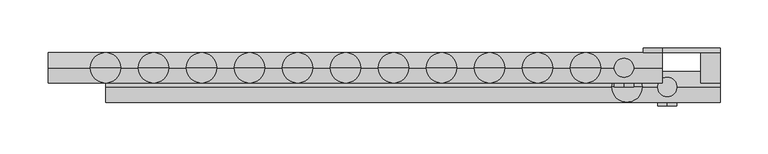
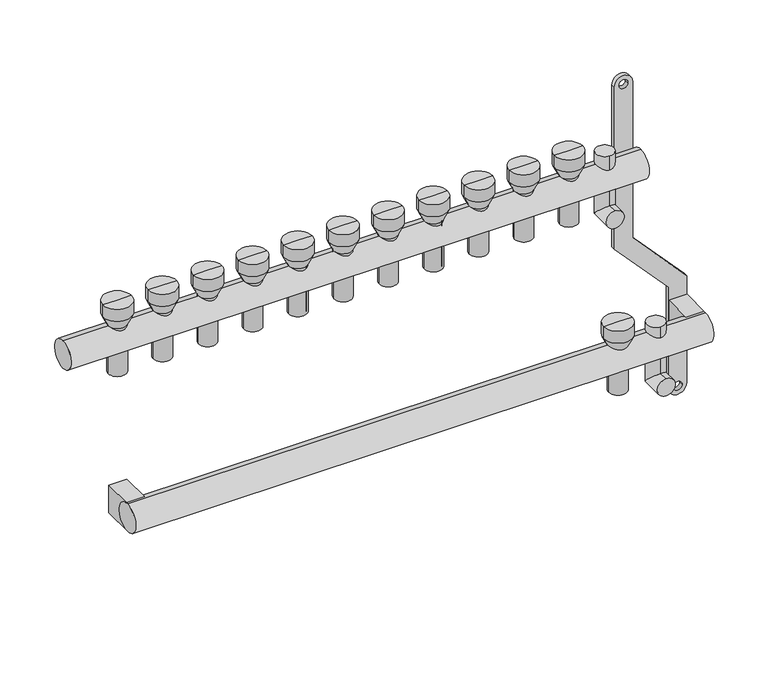
"""IFC4 building model written with IfcOpenShell, lengths in millimetres: proxy geometry."""

from ifc_helpers import new_model, si_unit, point, frame, frame_2d, origin, origin_2d, place, context, project, spatial, polyline, circle_curve, ellipse_curve, trimmed, segment, composite_curve, outline, extrude, source, transform, mapped, element, save
from ifc_brep_helpers import plane_surface, cylinder_surface, revolved_surface, advanced_brep


def mechanical_equipment_2ca8521b(model_context):
    return source(origin(), model_context, "Body", "SolidModel", [
        extrude(outline(composite_curve([segment(trimmed(circle_curve(frame_2d((86.2845679, 620.0)), 10.0), [point((86.2845679, 630.0))], [point((86.2845679, 610.0))], False, "CARTESIAN"), True, "CONTINUOUS"), segment(polyline([(86.2845679, 610.0), (-103.7138261, 610.0), (-169.0329221, 670.0), (-287.9537524, 670.0)]), True, "CONTINUOUS"), segment(trimmed(circle_curve(frame_2d((-287.9537524, 680.0)), 10.0), [point((-287.9537524, 670.0))], [point((-287.9537524, 690.0))], False, "CARTESIAN"), True, "CONTINUOUS"), segment(polyline([(-287.9537524, 690.0), (-162.5345282, 690.0), (-97.2154321, 630.0), (86.2845679, 630.0)]), True, "CONTINUOUS")], self_intersect=False), holes=[composite_curve([segment(trimmed(circle_curve(frame_2d((86.2845679, 620.0)), 5.0), [point((86.2845679, 615.0))], [point((86.2845679, 625.0))], True, "CARTESIAN"), True, "CONTINUOUS"), segment(trimmed(circle_curve(frame_2d((86.2845679, 620.0)), 5.0), [point((86.2845679, 625.0))], [point((86.2845679, 615.0))], True, "CARTESIAN"), True, "CONTINUOUS")], self_intersect=False), composite_curve([segment(trimmed(circle_curve(frame_2d((-287.9537524, 680.0)), 5.0), [point((-287.9537524, 675.0))], [point((-287.9537524, 685.0))], True, "CARTESIAN"), True, "CONTINUOUS"), segment(trimmed(circle_curve(frame_2d((-287.9537524, 680.0)), 5.0), [point((-287.9537524, 685.0))], [point((-287.9537524, 675.0))], True, "CARTESIAN"), True, "CONTINUOUS")], self_intersect=False)]), frame((0.0, 16.0, 0.0), z_axis=(0.0, 1.0, 0.0), x_axis=(0.0, 0.0, 1.0)), (0.0, 0.0, 1.0), 4.847249),
        advanced_brep(
        [(635.0, -40.0, -250.0), (635.0, -40.0, -230.0), (635.0, -10.0, -250.0), (635.0, -30.0, -230.0), (635.0, -10.0, -175.079492), (635.0, -30.0, -175.079492)],
        [
            (0, 1, circle_curve(frame((635.0, -40.0, -240.0), z_axis=(0.0, -1.0, 0.0), x_axis=(0.0, 0.0, 1.0)), 10.0)),
            (1, 0, circle_curve(frame((635.0, -40.0, -240.0), z_axis=(0.0, -1.0, 0.0), x_axis=(0.0, 0.0, 1.0)), 10.0)),
            (0, 2),
            (2, 3, ellipse_curve(frame((635.0, -20.0, -240.0), z_axis=(0.0, -0.7071067811865475, -0.7071067811865475), x_axis=(0.0, -0.7071067811865476, 0.7071067811865474)), 14.1421356, 10.0)),
            (3, 1),
            (3, 2, ellipse_curve(frame((635.0, -20.0, -240.0), z_axis=(0.0, -0.7071067811865475, -0.7071067811865475), x_axis=(0.0, -0.7071067811865476, 0.7071067811865474)), 14.1421356, 10.0)),
            (4, 5, circle_curve(frame((635.0, -20.0, -175.079492), z_axis=(0.0, 0.0, 1.0), x_axis=(0.0, -1.0, 0.0)), 10.0)),
            (5, 4, circle_curve(frame((635.0, -20.0, -175.079492), z_axis=(0.0, 0.0, 1.0), x_axis=(0.0, -1.0, 0.0)), 10.0)),
            (2, 4),
            (5, 3),
        ],
        [
            plane_surface(frame((635.0, -40.0, -240.0), z_axis=(0.0, -1.0, 0.0), x_axis=(1.0, 0.0, 0.0))),
            cylinder_surface(frame((635.0, -40.0, -240.0), z_axis=(0.0, -1.0, 0.0), x_axis=(0.0, 0.0, 1.0)), 10.0),
            plane_surface(frame((635.0, -20.0, -175.079492), z_axis=(0.0, 0.0, 1.0), x_axis=(1.0, 0.0, 0.0))),
            cylinder_surface(frame((635.0, -20.0, -240.0), z_axis=(0.0, 0.0, -1.0), x_axis=(0.0, -1.0, 0.0)), 10.0),
        ],
        [
            (0, [[1, 2]]),
            (1, [[-1, 3, 4, 5]]),
            (1, [[-2, -5, 6, -3]]),
            (2, [[7, 8]]),
            (3, [[-4, 9, -8, 10]]),
            (3, [[-6, -10, -7, -9]]),
        ],
    ),
        advanced_brep(
        [(590.0, -20.0, -50.0), (590.0, -20.0, -30.0), (590.0, 10.0, -50.0), (590.0, -10.0, -30.0), (590.0, 10.0, 28.420508), (590.0, -10.0, 28.420508)],
        [
            (0, 1, circle_curve(frame((590.0, -20.0, -40.0), z_axis=(0.0, -1.0, 0.0), x_axis=(0.0, 0.0, 1.0)), 10.0)),
            (1, 0, circle_curve(frame((590.0, -20.0, -40.0), z_axis=(0.0, -1.0, 0.0), x_axis=(0.0, 0.0, 1.0)), 10.0)),
            (0, 2),
            (2, 3, ellipse_curve(frame((590.0, 0.0, -40.0), z_axis=(0.0, -0.7071067811865486, -0.7071067811865464), x_axis=(0.0, -0.7071067811865466, 0.7071067811865485)), 14.1421356, 10.0)),
            (3, 1),
            (3, 2, ellipse_curve(frame((590.0, 0.0, -40.0), z_axis=(0.0, -0.7071067811865486, -0.7071067811865464), x_axis=(0.0, -0.7071067811865466, 0.7071067811865485)), 14.1421356, 10.0)),
            (4, 5, circle_curve(frame((590.0, 0.0, 28.420508), z_axis=(0.0, 0.0, 1.0), x_axis=(0.0, -1.0, 0.0)), 10.0)),
            (5, 4, circle_curve(frame((590.0, 0.0, 28.420508), z_axis=(0.0, 0.0, 1.0), x_axis=(0.0, -1.0, 0.0)), 10.0)),
            (2, 4),
            (5, 3),
        ],
        [
            plane_surface(frame((590.0, -20.0, -40.0), z_axis=(0.0, -1.0, 0.0), x_axis=(1.0, 0.0, 0.0))),
            cylinder_surface(frame((590.0, -20.0, -40.0), z_axis=(0.0, -1.0, 0.0), x_axis=(0.0, 0.0, 1.0)), 10.0),
            plane_surface(frame((590.0, 0.0, 28.420508), z_axis=(0.0, 0.0, 1.0), x_axis=(1.0, 0.0, 0.0))),
            cylinder_surface(frame((590.0, 0.0, -40.0), z_axis=(0.0, 0.0, -1.0), x_axis=(0.0, -1.0, 0.0)), 10.0),
        ],
        [
            (0, [[1, 2]]),
            (1, [[-1, 3, 4, 5]]),
            (1, [[-2, -5, 6, -3]]),
            (2, [[7, 8]]),
            (3, [[-4, 9, -8, 10]]),
            (3, [[-6, -10, -7, -9]]),
        ],
    ),
        extrude(outline(composite_curve([segment(trimmed(circle_curve(frame_2d((-20.0, -200.0)), 16.0), [point((-20.0, -216.0))], [point((-20.0, -184.0))], False, "CARTESIAN"), True, "CONTINUOUS"), segment(trimmed(circle_curve(frame_2d((-20.0, -200.0)), 16.0), [point((-20.0, -184.0))], [point((-20.0, -216.0))], False, "CARTESIAN"), True, "CONTINUOUS")], self_intersect=False)), frame((50.0, 0.0, 0.0), z_axis=(1.0, 0.0, 0.0), x_axis=(0.0, 1.0, 0.0)), (0.0, 0.0, 1.0), 640.0),
        extrude(outline(composite_curve([segment(trimmed(circle_curve(origin_2d(), 16.0), [point((0.0, -16.0))], [point((0.0, 16.0))], False, "CARTESIAN"), True, "CONTINUOUS"), segment(trimmed(circle_curve(origin_2d(), 16.0), [point((0.0, 16.0))], [point((0.0, -16.0))], False, "CARTESIAN"), True, "CONTINUOUS")], self_intersect=False)), frame((-10.0, 0.0, 0.0), z_axis=(1.0, 0.0, 0.0), x_axis=(0.0, 1.0, 0.0)), (0.0, 0.0, 1.0), 640.0),
        extrude(outline(polyline([(690.0, 16.0), (690.0, -20.0), (670.0, -20.0), (670.0, 16.0), (690.0, 16.0)])), frame((0.0, 0.0, -216.0), z_axis=(0.0, 0.0, 1.0), x_axis=(1.0, 0.0, 0.0)), (0.0, 0.0, 1.0), 32.0),
        extrude(outline(polyline([(70.0, 16.0), (70.0, -20.0), (50.0, -20.0), (50.0, 16.0), (70.0, 16.0)])), frame((0.0, 0.0, -216.0), z_axis=(0.0, 0.0, 1.0), x_axis=(1.0, 0.0, 0.0)), (0.0, 0.0, 1.0), 32.0),
        advanced_brep(
        [(558.0, 0.0, -40.0), (542.0, 0.0, -40.0), (542.0, 0.0, 16.0), (558.0, 0.0, 16.0), (560.0, 0.0, -40.0), (540.0, 0.0, -40.0), (560.0, 0.0, 16.0), (540.0, 0.0, 16.0), (565.791778, 0.0, 28.420508), (534.208222, 0.0, 28.420508), (565.791778, 0.0, 42.4712727), (534.208222, 0.0, 42.4712727), (550.0, 0.0, 42.4712727), (550.0, 0.0, 16.0)],
        [
            (0, 1, circle_curve(frame((550.0, 0.0, -40.0), z_axis=(0.0, 0.0, -1.0), x_axis=(-1.0, 0.0, 0.0)), 8.0)),
            (1, 2),
            (2, 3, circle_curve(frame((550.0, 0.0, 16.0), z_axis=(0.0, 0.0, 1.0), x_axis=(-1.0, 0.0, 0.0)), 8.0)),
            (3, 0),
            (1, 0, circle_curve(frame((550.0, 0.0, -40.0), z_axis=(0.0, 0.0, -1.0), x_axis=(-1.0, 0.0, 0.0)), 8.0)),
            (3, 2, circle_curve(frame((550.0, 0.0, 16.0), z_axis=(0.0, 0.0, 1.0), x_axis=(-1.0, 0.0, 0.0)), 8.0)),
            (4, 5, circle_curve(frame((550.0, 0.0, -40.0), z_axis=(0.0, 0.0, -1.0), x_axis=(-1.0, 0.0, 0.0)), 10.0)),
            (5, 1),
            (0, 4),
            (5, 4, circle_curve(frame((550.0, 0.0, -40.0), z_axis=(0.0, 0.0, -1.0), x_axis=(-1.0, 0.0, 0.0)), 10.0)),
            (6, 7, circle_curve(frame((550.0, 0.0, 16.0), z_axis=(0.0, 0.0, -1.0), x_axis=(-1.0, 0.0, 0.0)), 10.0)),
            (7, 5),
            (4, 6),
            (7, 6, circle_curve(frame((550.0, 0.0, 16.0), z_axis=(0.0, 0.0, -1.0), x_axis=(-1.0, 0.0, 0.0)), 10.0)),
            (8, 9, circle_curve(frame((550.0, 0.0, 28.420508), z_axis=(0.0, 0.0, -1.0), x_axis=(-1.0, 0.0, 0.0)), 15.791778)),
            (9, 7),
            (6, 8),
            (9, 8, circle_curve(frame((550.0, 0.0, 28.420508), z_axis=(0.0, 0.0, -1.0), x_axis=(-1.0, 0.0, 0.0)), 15.791778)),
            (10, 11, circle_curve(frame((550.0, 0.0, 42.4712727), z_axis=(0.0, 0.0, -1.0), x_axis=(-1.0, 0.0, 0.0)), 15.791778)),
            (11, 9),
            (8, 10),
            (11, 10, circle_curve(frame((550.0, 0.0, 42.4712727), z_axis=(0.0, 0.0, -1.0), x_axis=(-1.0, 0.0, 0.0)), 15.791778)),
            (12, 11),
            (10, 12),
            (2, 13),
            (13, 3),
        ],
        [
            revolved_surface(polyline([(542.0, 0.0, 16.0), (542.0, 0.0, -40.0)]), (550.0, 0.0, 0.0), (0.0, 0.0, 1.0)),
            plane_surface(frame((550.0, 0.0, -40.0), z_axis=(0.0, 0.0, -1.0), x_axis=(-1.0, 0.0, 0.0))),
            cylinder_surface(frame((550.0, 0.0, 0.0), z_axis=(0.0, 0.0, 1.0), x_axis=(-1.0, 0.0, 0.0)), 10.0),
            revolved_surface(polyline([(540.0, 0.0, 16.0), (534.208222, 0.0, 28.420508)]), (550.0, 0.0, 0.0), (0.0, 0.0, 1.0)),
            cylinder_surface(frame((550.0, 0.0, 0.0), z_axis=(0.0, 0.0, 1.0), x_axis=(-1.0, 0.0, 0.0)), 15.791778),
            plane_surface(frame((550.0, 0.0, 42.4712727), z_axis=(0.0, 0.0, 1.0), x_axis=(-1.0, 0.0, 0.0))),
            plane_surface(frame((550.0, 0.0, 16.0), z_axis=(0.0, 0.0, -1.0), x_axis=(-1.0, 0.0, 0.0))),
        ],
        [
            (0, [[1, 2, 3, 4]]),
            (0, [[5, -4, 6, -2]]),
            (1, [[7, 8, -1, 9]]),
            (1, [[10, -9, -5, -8]]),
            (2, [[11, 12, -7, 13]]),
            (2, [[14, -13, -10, -12]]),
            (3, [[15, 16, -11, 17]]),
            (3, [[18, -17, -14, -16]]),
            (4, [[19, 20, -15, 21]]),
            (4, [[22, -21, -18, -20]]),
            (5, [[23, -19, 24]]),
            (5, [[-24, -22, -23]]),
            (6, [[-3, 25, 26]]),
            (6, [[-6, -26, -25]]),
        ],
    ),
        advanced_brep(
        [(508.0, 0.0, -40.0), (492.0, 0.0, -40.0), (492.0, 0.0, 16.0), (508.0, 0.0, 16.0), (510.0, 0.0, -40.0), (490.0, 0.0, -40.0), (510.0, 0.0, 16.0), (490.0, 0.0, 16.0), (515.791778, 0.0, 28.420508), (484.208222, 0.0, 28.420508), (515.791778, 0.0, 42.4712727), (484.208222, 0.0, 42.4712727), (500.0, 0.0, 42.4712727), (500.0, 0.0, 16.0)],
        [
            (0, 1, circle_curve(frame((500.0, 0.0, -40.0), z_axis=(0.0, 0.0, -1.0), x_axis=(-1.0, 0.0, 0.0)), 8.0)),
            (1, 2),
            (2, 3, circle_curve(frame((500.0, 0.0, 16.0), z_axis=(0.0, 0.0, 1.0), x_axis=(-1.0, 0.0, 0.0)), 8.0)),
            (3, 0),
            (1, 0, circle_curve(frame((500.0, 0.0, -40.0), z_axis=(0.0, 0.0, -1.0), x_axis=(-1.0, 0.0, 0.0)), 8.0)),
            (3, 2, circle_curve(frame((500.0, 0.0, 16.0), z_axis=(0.0, 0.0, 1.0), x_axis=(-1.0, 0.0, 0.0)), 8.0)),
            (4, 5, circle_curve(frame((500.0, 0.0, -40.0), z_axis=(0.0, 0.0, -1.0), x_axis=(-1.0, 0.0, 0.0)), 10.0)),
            (5, 1),
            (0, 4),
            (5, 4, circle_curve(frame((500.0, 0.0, -40.0), z_axis=(0.0, 0.0, -1.0), x_axis=(-1.0, 0.0, 0.0)), 10.0)),
            (6, 7, circle_curve(frame((500.0, 0.0, 16.0), z_axis=(0.0, 0.0, -1.0), x_axis=(-1.0, 0.0, 0.0)), 10.0)),
            (7, 5),
            (4, 6),
            (7, 6, circle_curve(frame((500.0, 0.0, 16.0), z_axis=(0.0, 0.0, -1.0), x_axis=(-1.0, 0.0, 0.0)), 10.0)),
            (8, 9, circle_curve(frame((500.0, 0.0, 28.420508), z_axis=(0.0, 0.0, -1.0), x_axis=(-1.0, 0.0, 0.0)), 15.791778)),
            (9, 7),
            (6, 8),
            (9, 8, circle_curve(frame((500.0, 0.0, 28.420508), z_axis=(0.0, 0.0, -1.0), x_axis=(-1.0, 0.0, 0.0)), 15.791778)),
            (10, 11, circle_curve(frame((500.0, 0.0, 42.4712727), z_axis=(0.0, 0.0, -1.0), x_axis=(-1.0, 0.0, 0.0)), 15.791778)),
            (11, 9),
            (8, 10),
            (11, 10, circle_curve(frame((500.0, 0.0, 42.4712727), z_axis=(0.0, 0.0, -1.0), x_axis=(-1.0, 0.0, 0.0)), 15.791778)),
            (12, 11),
            (10, 12),
            (2, 13),
            (13, 3),
        ],
        [
            revolved_surface(polyline([(492.0, 0.0, 16.0), (492.0, 0.0, -40.0)]), (500.0, 0.0, 0.0), (0.0, 0.0, 1.0)),
            plane_surface(frame((500.0, 0.0, -40.0), z_axis=(0.0, 0.0, -1.0), x_axis=(-1.0, 0.0, 0.0))),
            cylinder_surface(frame((500.0, 0.0, 0.0), z_axis=(0.0, 0.0, 1.0), x_axis=(-1.0, 0.0, 0.0)), 10.0),
            revolved_surface(polyline([(490.0, 0.0, 16.0), (484.208222, 0.0, 28.420508)]), (500.0, 0.0, 0.0), (0.0, 0.0, 1.0)),
            cylinder_surface(frame((500.0, 0.0, 0.0), z_axis=(0.0, 0.0, 1.0), x_axis=(-1.0, 0.0, 0.0)), 15.791778),
            plane_surface(frame((500.0, 0.0, 42.4712727), z_axis=(0.0, 0.0, 1.0), x_axis=(-1.0, 0.0, 0.0))),
            plane_surface(frame((500.0, 0.0, 16.0), z_axis=(0.0, 0.0, -1.0), x_axis=(-1.0, 0.0, 0.0))),
        ],
        [
            (0, [[1, 2, 3, 4]]),
            (0, [[5, -4, 6, -2]]),
            (1, [[7, 8, -1, 9]]),
            (1, [[10, -9, -5, -8]]),
            (2, [[11, 12, -7, 13]]),
            (2, [[14, -13, -10, -12]]),
            (3, [[15, 16, -11, 17]]),
            (3, [[18, -17, -14, -16]]),
            (4, [[19, 20, -15, 21]]),
            (4, [[22, -21, -18, -20]]),
            (5, [[23, -19, 24]]),
            (5, [[-24, -22, -23]]),
            (6, [[-3, 25, 26]]),
            (6, [[-6, -26, -25]]),
        ],
    ),
        advanced_brep(
        [(458.0, 0.0, -40.0), (442.0, 0.0, -40.0), (442.0, 0.0, 16.0), (458.0, 0.0, 16.0), (460.0, 0.0, -40.0), (440.0, 0.0, -40.0), (460.0, 0.0, 16.0), (440.0, 0.0, 16.0), (465.791778, 0.0, 28.420508), (434.208222, 0.0, 28.420508), (465.791778, 0.0, 42.4712727), (434.208222, 0.0, 42.4712727), (450.0, 0.0, 42.4712727), (450.0, 0.0, 16.0)],
        [
            (0, 1, circle_curve(frame((450.0, 0.0, -40.0), z_axis=(0.0, 0.0, -1.0), x_axis=(-1.0, 0.0, 0.0)), 8.0)),
            (1, 2),
            (2, 3, circle_curve(frame((450.0, 0.0, 16.0), z_axis=(0.0, 0.0, 1.0), x_axis=(-1.0, 0.0, 0.0)), 8.0)),
            (3, 0),
            (1, 0, circle_curve(frame((450.0, 0.0, -40.0), z_axis=(0.0, 0.0, -1.0), x_axis=(-1.0, 0.0, 0.0)), 8.0)),
            (3, 2, circle_curve(frame((450.0, 0.0, 16.0), z_axis=(0.0, 0.0, 1.0), x_axis=(-1.0, 0.0, 0.0)), 8.0)),
            (4, 5, circle_curve(frame((450.0, 0.0, -40.0), z_axis=(0.0, 0.0, -1.0), x_axis=(-1.0, 0.0, 0.0)), 10.0)),
            (5, 1),
            (0, 4),
            (5, 4, circle_curve(frame((450.0, 0.0, -40.0), z_axis=(0.0, 0.0, -1.0), x_axis=(-1.0, 0.0, 0.0)), 10.0)),
            (6, 7, circle_curve(frame((450.0, 0.0, 16.0), z_axis=(0.0, 0.0, -1.0), x_axis=(-1.0, 0.0, 0.0)), 10.0)),
            (7, 5),
            (4, 6),
            (7, 6, circle_curve(frame((450.0, 0.0, 16.0), z_axis=(0.0, 0.0, -1.0), x_axis=(-1.0, 0.0, 0.0)), 10.0)),
            (8, 9, circle_curve(frame((450.0, 0.0, 28.420508), z_axis=(0.0, 0.0, -1.0), x_axis=(-1.0, 0.0, 0.0)), 15.791778)),
            (9, 7),
            (6, 8),
            (9, 8, circle_curve(frame((450.0, 0.0, 28.420508), z_axis=(0.0, 0.0, -1.0), x_axis=(-1.0, 0.0, 0.0)), 15.791778)),
            (10, 11, circle_curve(frame((450.0, 0.0, 42.4712727), z_axis=(0.0, 0.0, -1.0), x_axis=(-1.0, 0.0, 0.0)), 15.791778)),
            (11, 9),
            (8, 10),
            (11, 10, circle_curve(frame((450.0, 0.0, 42.4712727), z_axis=(0.0, 0.0, -1.0), x_axis=(-1.0, 0.0, 0.0)), 15.791778)),
            (12, 11),
            (10, 12),
            (2, 13),
            (13, 3),
        ],
        [
            revolved_surface(polyline([(442.0, 0.0, 16.0), (442.0, 0.0, -40.0)]), (450.0, 0.0, 0.0), (0.0, 0.0, 1.0)),
            plane_surface(frame((450.0, 0.0, -40.0), z_axis=(0.0, 0.0, -1.0), x_axis=(-1.0, 0.0, 0.0))),
            cylinder_surface(frame((450.0, 0.0, 0.0), z_axis=(0.0, 0.0, 1.0), x_axis=(-1.0, 0.0, 0.0)), 10.0),
            revolved_surface(polyline([(440.0, 0.0, 16.0), (434.208222, 0.0, 28.420508)]), (450.0, 0.0, 0.0), (0.0, 0.0, 1.0)),
            cylinder_surface(frame((450.0, 0.0, 0.0), z_axis=(0.0, 0.0, 1.0), x_axis=(-1.0, 0.0, 0.0)), 15.791778),
            plane_surface(frame((450.0, 0.0, 42.4712727), z_axis=(0.0, 0.0, 1.0), x_axis=(-1.0, 0.0, 0.0))),
            plane_surface(frame((450.0, 0.0, 16.0), z_axis=(0.0, 0.0, -1.0), x_axis=(-1.0, 0.0, 0.0))),
        ],
        [
            (0, [[1, 2, 3, 4]]),
            (0, [[5, -4, 6, -2]]),
            (1, [[7, 8, -1, 9]]),
            (1, [[10, -9, -5, -8]]),
            (2, [[11, 12, -7, 13]]),
            (2, [[14, -13, -10, -12]]),
            (3, [[15, 16, -11, 17]]),
            (3, [[18, -17, -14, -16]]),
            (4, [[19, 20, -15, 21]]),
            (4, [[22, -21, -18, -20]]),
            (5, [[23, -19, 24]]),
            (5, [[-24, -22, -23]]),
            (6, [[-3, 25, 26]]),
            (6, [[-6, -26, -25]]),
        ],
    ),
        advanced_brep(
        [(408.0, 0.0, -40.0), (392.0, 0.0, -40.0), (392.0, 0.0, 16.0), (408.0, 0.0, 16.0), (410.0, 0.0, -40.0), (390.0, 0.0, -40.0), (410.0, 0.0, 16.0), (390.0, 0.0, 16.0), (415.791778, 0.0, 28.420508), (384.208222, 0.0, 28.420508), (415.791778, 0.0, 42.4712727), (384.208222, 0.0, 42.4712727), (400.0, 0.0, 42.4712727), (400.0, 0.0, 16.0)],
        [
            (0, 1, circle_curve(frame((400.0, 0.0, -40.0), z_axis=(0.0, 0.0, -1.0), x_axis=(-1.0, 0.0, 0.0)), 8.0)),
            (1, 2),
            (2, 3, circle_curve(frame((400.0, 0.0, 16.0), z_axis=(0.0, 0.0, 1.0), x_axis=(-1.0, 0.0, 0.0)), 8.0)),
            (3, 0),
            (1, 0, circle_curve(frame((400.0, 0.0, -40.0), z_axis=(0.0, 0.0, -1.0), x_axis=(-1.0, 0.0, 0.0)), 8.0)),
            (3, 2, circle_curve(frame((400.0, 0.0, 16.0), z_axis=(0.0, 0.0, 1.0), x_axis=(-1.0, 0.0, 0.0)), 8.0)),
            (4, 5, circle_curve(frame((400.0, 0.0, -40.0), z_axis=(0.0, 0.0, -1.0), x_axis=(-1.0, 0.0, 0.0)), 10.0)),
            (5, 1),
            (0, 4),
            (5, 4, circle_curve(frame((400.0, 0.0, -40.0), z_axis=(0.0, 0.0, -1.0), x_axis=(-1.0, 0.0, 0.0)), 10.0)),
            (6, 7, circle_curve(frame((400.0, 0.0, 16.0), z_axis=(0.0, 0.0, -1.0), x_axis=(-1.0, 0.0, 0.0)), 10.0)),
            (7, 5),
            (4, 6),
            (7, 6, circle_curve(frame((400.0, 0.0, 16.0), z_axis=(0.0, 0.0, -1.0), x_axis=(-1.0, 0.0, 0.0)), 10.0)),
            (8, 9, circle_curve(frame((400.0, 0.0, 28.420508), z_axis=(0.0, 0.0, -1.0), x_axis=(-1.0, 0.0, 0.0)), 15.791778)),
            (9, 7),
            (6, 8),
            (9, 8, circle_curve(frame((400.0, 0.0, 28.420508), z_axis=(0.0, 0.0, -1.0), x_axis=(-1.0, 0.0, 0.0)), 15.791778)),
            (10, 11, circle_curve(frame((400.0, 0.0, 42.4712727), z_axis=(0.0, 0.0, -1.0), x_axis=(-1.0, 0.0, 0.0)), 15.791778)),
            (11, 9),
            (8, 10),
            (11, 10, circle_curve(frame((400.0, 0.0, 42.4712727), z_axis=(0.0, 0.0, -1.0), x_axis=(-1.0, 0.0, 0.0)), 15.791778)),
            (12, 11),
            (10, 12),
            (2, 13),
            (13, 3),
        ],
        [
            revolved_surface(polyline([(392.0, 0.0, 16.0), (392.0, 0.0, -40.0)]), (400.0, 0.0, 0.0), (0.0, 0.0, 1.0)),
            plane_surface(frame((400.0, 0.0, -40.0), z_axis=(0.0, 0.0, -1.0), x_axis=(-1.0, 0.0, 0.0))),
            cylinder_surface(frame((400.0, 0.0, 0.0), z_axis=(0.0, 0.0, 1.0), x_axis=(-1.0, 0.0, 0.0)), 10.0),
            revolved_surface(polyline([(390.0, 0.0, 16.0), (384.208222, 0.0, 28.420508)]), (400.0, 0.0, 0.0), (0.0, 0.0, 1.0)),
            cylinder_surface(frame((400.0, 0.0, 0.0), z_axis=(0.0, 0.0, 1.0), x_axis=(-1.0, 0.0, 0.0)), 15.791778),
            plane_surface(frame((400.0, 0.0, 42.4712727), z_axis=(0.0, 0.0, 1.0), x_axis=(-1.0, 0.0, 0.0))),
            plane_surface(frame((400.0, 0.0, 16.0), z_axis=(0.0, 0.0, -1.0), x_axis=(-1.0, 0.0, 0.0))),
        ],
        [
            (0, [[1, 2, 3, 4]]),
            (0, [[5, -4, 6, -2]]),
            (1, [[7, 8, -1, 9]]),
            (1, [[10, -9, -5, -8]]),
            (2, [[11, 12, -7, 13]]),
            (2, [[14, -13, -10, -12]]),
            (3, [[15, 16, -11, 17]]),
            (3, [[18, -17, -14, -16]]),
            (4, [[19, 20, -15, 21]]),
            (4, [[22, -21, -18, -20]]),
            (5, [[23, -19, 24]]),
            (5, [[-24, -22, -23]]),
            (6, [[-3, 25, 26]]),
            (6, [[-6, -26, -25]]),
        ],
    ),
        advanced_brep(
        [(358.0, 0.0, -40.0), (342.0, 0.0, -40.0), (342.0, 0.0, 16.0), (358.0, 0.0, 16.0), (360.0, 0.0, -40.0), (340.0, 0.0, -40.0), (360.0, 0.0, 16.0), (340.0, 0.0, 16.0), (365.791778, 0.0, 28.420508), (334.208222, 0.0, 28.420508), (365.791778, 0.0, 42.4712727), (334.208222, 0.0, 42.4712727), (350.0, 0.0, 42.4712727), (350.0, 0.0, 16.0)],
        [
            (0, 1, circle_curve(frame((350.0, 0.0, -40.0), z_axis=(0.0, 0.0, -1.0), x_axis=(-1.0, 0.0, 0.0)), 8.0)),
            (1, 2),
            (2, 3, circle_curve(frame((350.0, 0.0, 16.0), z_axis=(0.0, 0.0, 1.0), x_axis=(-1.0, 0.0, 0.0)), 8.0)),
            (3, 0),
            (1, 0, circle_curve(frame((350.0, 0.0, -40.0), z_axis=(0.0, 0.0, -1.0), x_axis=(-1.0, 0.0, 0.0)), 8.0)),
            (3, 2, circle_curve(frame((350.0, 0.0, 16.0), z_axis=(0.0, 0.0, 1.0), x_axis=(-1.0, 0.0, 0.0)), 8.0)),
            (4, 5, circle_curve(frame((350.0, 0.0, -40.0), z_axis=(0.0, 0.0, -1.0), x_axis=(-1.0, 0.0, 0.0)), 10.0)),
            (5, 1),
            (0, 4),
            (5, 4, circle_curve(frame((350.0, 0.0, -40.0), z_axis=(0.0, 0.0, -1.0), x_axis=(-1.0, 0.0, 0.0)), 10.0)),
            (6, 7, circle_curve(frame((350.0, 0.0, 16.0), z_axis=(0.0, 0.0, -1.0), x_axis=(-1.0, 0.0, 0.0)), 10.0)),
            (7, 5),
            (4, 6),
            (7, 6, circle_curve(frame((350.0, 0.0, 16.0), z_axis=(0.0, 0.0, -1.0), x_axis=(-1.0, 0.0, 0.0)), 10.0)),
            (8, 9, circle_curve(frame((350.0, 0.0, 28.420508), z_axis=(0.0, 0.0, -1.0), x_axis=(-1.0, 0.0, 0.0)), 15.791778)),
            (9, 7),
            (6, 8),
            (9, 8, circle_curve(frame((350.0, 0.0, 28.420508), z_axis=(0.0, 0.0, -1.0), x_axis=(-1.0, 0.0, 0.0)), 15.791778)),
            (10, 11, circle_curve(frame((350.0, 0.0, 42.4712727), z_axis=(0.0, 0.0, -1.0), x_axis=(-1.0, 0.0, 0.0)), 15.791778)),
            (11, 9),
            (8, 10),
            (11, 10, circle_curve(frame((350.0, 0.0, 42.4712727), z_axis=(0.0, 0.0, -1.0), x_axis=(-1.0, 0.0, 0.0)), 15.791778)),
            (12, 11),
            (10, 12),
            (2, 13),
            (13, 3),
        ],
        [
            revolved_surface(polyline([(342.0, 0.0, 16.0), (342.0, 0.0, -40.0)]), (350.0, 0.0, 0.0), (0.0, 0.0, 1.0)),
            plane_surface(frame((350.0, 0.0, -40.0), z_axis=(0.0, 0.0, -1.0), x_axis=(-1.0, 0.0, 0.0))),
            cylinder_surface(frame((350.0, 0.0, 0.0), z_axis=(0.0, 0.0, 1.0), x_axis=(-1.0, 0.0, 0.0)), 10.0),
            revolved_surface(polyline([(340.0, 0.0, 16.0), (334.208222, 0.0, 28.420508)]), (350.0, 0.0, 0.0), (0.0, 0.0, 1.0)),
            cylinder_surface(frame((350.0, 0.0, 0.0), z_axis=(0.0, 0.0, 1.0), x_axis=(-1.0, 0.0, 0.0)), 15.791778),
            plane_surface(frame((350.0, 0.0, 42.4712727), z_axis=(0.0, 0.0, 1.0), x_axis=(-1.0, 0.0, 0.0))),
            plane_surface(frame((350.0, 0.0, 16.0), z_axis=(0.0, 0.0, -1.0), x_axis=(-1.0, 0.0, 0.0))),
        ],
        [
            (0, [[1, 2, 3, 4]]),
            (0, [[5, -4, 6, -2]]),
            (1, [[7, 8, -1, 9]]),
            (1, [[10, -9, -5, -8]]),
            (2, [[11, 12, -7, 13]]),
            (2, [[14, -13, -10, -12]]),
            (3, [[15, 16, -11, 17]]),
            (3, [[18, -17, -14, -16]]),
            (4, [[19, 20, -15, 21]]),
            (4, [[22, -21, -18, -20]]),
            (5, [[23, -19, 24]]),
            (5, [[-24, -22, -23]]),
            (6, [[-3, 25, 26]]),
            (6, [[-6, -26, -25]]),
        ],
    ),
        advanced_brep(
        [(308.0, 0.0, -40.0), (292.0, 0.0, -40.0), (292.0, 0.0, 16.0), (308.0, 0.0, 16.0), (310.0, 0.0, -40.0), (290.0, 0.0, -40.0), (310.0, 0.0, 16.0), (290.0, 0.0, 16.0), (315.791778, 0.0, 28.420508), (284.208222, 0.0, 28.420508), (315.791778, 0.0, 42.4712727), (284.208222, 0.0, 42.4712727), (300.0, 0.0, 42.4712727), (300.0, 0.0, 16.0)],
        [
            (0, 1, circle_curve(frame((300.0, 0.0, -40.0), z_axis=(0.0, 0.0, -1.0), x_axis=(-1.0, 0.0, 0.0)), 8.0)),
            (1, 2),
            (2, 3, circle_curve(frame((300.0, 0.0, 16.0), z_axis=(0.0, 0.0, 1.0), x_axis=(-1.0, 0.0, 0.0)), 8.0)),
            (3, 0),
            (1, 0, circle_curve(frame((300.0, 0.0, -40.0), z_axis=(0.0, 0.0, -1.0), x_axis=(-1.0, 0.0, 0.0)), 8.0)),
            (3, 2, circle_curve(frame((300.0, 0.0, 16.0), z_axis=(0.0, 0.0, 1.0), x_axis=(-1.0, 0.0, 0.0)), 8.0)),
            (4, 5, circle_curve(frame((300.0, 0.0, -40.0), z_axis=(0.0, 0.0, -1.0), x_axis=(-1.0, 0.0, 0.0)), 10.0)),
            (5, 1),
            (0, 4),
            (5, 4, circle_curve(frame((300.0, 0.0, -40.0), z_axis=(0.0, 0.0, -1.0), x_axis=(-1.0, 0.0, 0.0)), 10.0)),
            (6, 7, circle_curve(frame((300.0, 0.0, 16.0), z_axis=(0.0, 0.0, -1.0), x_axis=(-1.0, 0.0, 0.0)), 10.0)),
            (7, 5),
            (4, 6),
            (7, 6, circle_curve(frame((300.0, 0.0, 16.0), z_axis=(0.0, 0.0, -1.0), x_axis=(-1.0, 0.0, 0.0)), 10.0)),
            (8, 9, circle_curve(frame((300.0, 0.0, 28.420508), z_axis=(0.0, 0.0, -1.0), x_axis=(-1.0, 0.0, 0.0)), 15.791778)),
            (9, 7),
            (6, 8),
            (9, 8, circle_curve(frame((300.0, 0.0, 28.420508), z_axis=(0.0, 0.0, -1.0), x_axis=(-1.0, 0.0, 0.0)), 15.791778)),
            (10, 11, circle_curve(frame((300.0, 0.0, 42.4712727), z_axis=(0.0, 0.0, -1.0), x_axis=(-1.0, 0.0, 0.0)), 15.791778)),
            (11, 9),
            (8, 10),
            (11, 10, circle_curve(frame((300.0, 0.0, 42.4712727), z_axis=(0.0, 0.0, -1.0), x_axis=(-1.0, 0.0, 0.0)), 15.791778)),
            (12, 11),
            (10, 12),
            (2, 13),
            (13, 3),
        ],
        [
            revolved_surface(polyline([(292.0, 0.0, 16.0), (292.0, 0.0, -40.0)]), (300.0, 0.0, 0.0), (0.0, 0.0, 1.0)),
            plane_surface(frame((300.0, 0.0, -40.0), z_axis=(0.0, 0.0, -1.0), x_axis=(-1.0, 0.0, 0.0))),
            cylinder_surface(frame((300.0, 0.0, 0.0), z_axis=(0.0, 0.0, 1.0), x_axis=(-1.0, 0.0, 0.0)), 10.0),
            revolved_surface(polyline([(290.0, 0.0, 16.0), (284.208222, 0.0, 28.420508)]), (300.0, 0.0, 0.0), (0.0, 0.0, 1.0)),
            cylinder_surface(frame((300.0, 0.0, 0.0), z_axis=(0.0, 0.0, 1.0), x_axis=(-1.0, 0.0, 0.0)), 15.791778),
            plane_surface(frame((300.0, 0.0, 42.4712727), z_axis=(0.0, 0.0, 1.0), x_axis=(-1.0, 0.0, 0.0))),
            plane_surface(frame((300.0, 0.0, 16.0), z_axis=(0.0, 0.0, -1.0), x_axis=(-1.0, 0.0, 0.0))),
        ],
        [
            (0, [[1, 2, 3, 4]]),
            (0, [[5, -4, 6, -2]]),
            (1, [[7, 8, -1, 9]]),
            (1, [[10, -9, -5, -8]]),
            (2, [[11, 12, -7, 13]]),
            (2, [[14, -13, -10, -12]]),
            (3, [[15, 16, -11, 17]]),
            (3, [[18, -17, -14, -16]]),
            (4, [[19, 20, -15, 21]]),
            (4, [[22, -21, -18, -20]]),
            (5, [[23, -19, 24]]),
            (5, [[-24, -22, -23]]),
            (6, [[-3, 25, 26]]),
            (6, [[-6, -26, -25]]),
        ],
    ),
        advanced_brep(
        [(258.0, 0.0, -40.0), (242.0, 0.0, -40.0), (242.0, 0.0, 16.0), (258.0, 0.0, 16.0), (260.0, 0.0, -40.0), (240.0, 0.0, -40.0), (260.0, 0.0, 16.0), (240.0, 0.0, 16.0), (265.791778, 0.0, 28.420508), (234.208222, 0.0, 28.420508), (265.791778, 0.0, 42.4712727), (234.208222, 0.0, 42.4712727), (250.0, 0.0, 42.4712727), (250.0, 0.0, 16.0)],
        [
            (0, 1, circle_curve(frame((250.0, 0.0, -40.0), z_axis=(0.0, 0.0, -1.0), x_axis=(-1.0, 0.0, 0.0)), 8.0)),
            (1, 2),
            (2, 3, circle_curve(frame((250.0, 0.0, 16.0), z_axis=(0.0, 0.0, 1.0), x_axis=(-1.0, 0.0, 0.0)), 8.0)),
            (3, 0),
            (1, 0, circle_curve(frame((250.0, 0.0, -40.0), z_axis=(0.0, 0.0, -1.0), x_axis=(-1.0, 0.0, 0.0)), 8.0)),
            (3, 2, circle_curve(frame((250.0, 0.0, 16.0), z_axis=(0.0, 0.0, 1.0), x_axis=(-1.0, 0.0, 0.0)), 8.0)),
            (4, 5, circle_curve(frame((250.0, 0.0, -40.0), z_axis=(0.0, 0.0, -1.0), x_axis=(-1.0, 0.0, 0.0)), 10.0)),
            (5, 1),
            (0, 4),
            (5, 4, circle_curve(frame((250.0, 0.0, -40.0), z_axis=(0.0, 0.0, -1.0), x_axis=(-1.0, 0.0, 0.0)), 10.0)),
            (6, 7, circle_curve(frame((250.0, 0.0, 16.0), z_axis=(0.0, 0.0, -1.0), x_axis=(-1.0, 0.0, 0.0)), 10.0)),
            (7, 5),
            (4, 6),
            (7, 6, circle_curve(frame((250.0, 0.0, 16.0), z_axis=(0.0, 0.0, -1.0), x_axis=(-1.0, 0.0, 0.0)), 10.0)),
            (8, 9, circle_curve(frame((250.0, 0.0, 28.420508), z_axis=(0.0, 0.0, -1.0), x_axis=(-1.0, 0.0, 0.0)), 15.791778)),
            (9, 7),
            (6, 8),
            (9, 8, circle_curve(frame((250.0, 0.0, 28.420508), z_axis=(0.0, 0.0, -1.0), x_axis=(-1.0, 0.0, 0.0)), 15.791778)),
            (10, 11, circle_curve(frame((250.0, 0.0, 42.4712727), z_axis=(0.0, 0.0, -1.0), x_axis=(-1.0, 0.0, 0.0)), 15.791778)),
            (11, 9),
            (8, 10),
            (11, 10, circle_curve(frame((250.0, 0.0, 42.4712727), z_axis=(0.0, 0.0, -1.0), x_axis=(-1.0, 0.0, 0.0)), 15.791778)),
            (12, 11),
            (10, 12),
            (2, 13),
            (13, 3),
        ],
        [
            revolved_surface(polyline([(242.0, 0.0, 16.0), (242.0, 0.0, -40.0)]), (250.0, 0.0, 0.0), (0.0, 0.0, 1.0)),
            plane_surface(frame((250.0, 0.0, -40.0), z_axis=(0.0, 0.0, -1.0), x_axis=(-1.0, 0.0, 0.0))),
            cylinder_surface(frame((250.0, 0.0, 0.0), z_axis=(0.0, 0.0, 1.0), x_axis=(-1.0, 0.0, 0.0)), 10.0),
            revolved_surface(polyline([(240.0, 0.0, 16.0), (234.208222, 0.0, 28.420508)]), (250.0, 0.0, 0.0), (0.0, 0.0, 1.0)),
            cylinder_surface(frame((250.0, 0.0, 0.0), z_axis=(0.0, 0.0, 1.0), x_axis=(-1.0, 0.0, 0.0)), 15.791778),
            plane_surface(frame((250.0, 0.0, 42.4712727), z_axis=(0.0, 0.0, 1.0), x_axis=(-1.0, 0.0, 0.0))),
            plane_surface(frame((250.0, 0.0, 16.0), z_axis=(0.0, 0.0, -1.0), x_axis=(-1.0, 0.0, 0.0))),
        ],
        [
            (0, [[1, 2, 3, 4]]),
            (0, [[5, -4, 6, -2]]),
            (1, [[7, 8, -1, 9]]),
            (1, [[10, -9, -5, -8]]),
            (2, [[11, 12, -7, 13]]),
            (2, [[14, -13, -10, -12]]),
            (3, [[15, 16, -11, 17]]),
            (3, [[18, -17, -14, -16]]),
            (4, [[19, 20, -15, 21]]),
            (4, [[22, -21, -18, -20]]),
            (5, [[23, -19, 24]]),
            (5, [[-24, -22, -23]]),
            (6, [[-3, 25, 26]]),
            (6, [[-6, -26, -25]]),
        ],
    ),
        advanced_brep(
        [(208.0, 0.0, -40.0), (192.0, 0.0, -40.0), (192.0, 0.0, 16.0), (208.0, 0.0, 16.0), (210.0, 0.0, -40.0), (190.0, 0.0, -40.0), (210.0, 0.0, 16.0), (190.0, 0.0, 16.0), (215.791778, 0.0, 28.420508), (184.208222, 0.0, 28.420508), (215.791778, 0.0, 42.4712727), (184.208222, 0.0, 42.4712727), (200.0, 0.0, 42.4712727), (200.0, 0.0, 16.0)],
        [
            (0, 1, circle_curve(frame((200.0, 0.0, -40.0), z_axis=(0.0, 0.0, -1.0), x_axis=(-1.0, 0.0, 0.0)), 8.0)),
            (1, 2),
            (2, 3, circle_curve(frame((200.0, 0.0, 16.0), z_axis=(0.0, 0.0, 1.0), x_axis=(-1.0, 0.0, 0.0)), 8.0)),
            (3, 0),
            (1, 0, circle_curve(frame((200.0, 0.0, -40.0), z_axis=(0.0, 0.0, -1.0), x_axis=(-1.0, 0.0, 0.0)), 8.0)),
            (3, 2, circle_curve(frame((200.0, 0.0, 16.0), z_axis=(0.0, 0.0, 1.0), x_axis=(-1.0, 0.0, 0.0)), 8.0)),
            (4, 5, circle_curve(frame((200.0, 0.0, -40.0), z_axis=(0.0, 0.0, -1.0), x_axis=(-1.0, 0.0, 0.0)), 10.0)),
            (5, 1),
            (0, 4),
            (5, 4, circle_curve(frame((200.0, 0.0, -40.0), z_axis=(0.0, 0.0, -1.0), x_axis=(-1.0, 0.0, 0.0)), 10.0)),
            (6, 7, circle_curve(frame((200.0, 0.0, 16.0), z_axis=(0.0, 0.0, -1.0), x_axis=(-1.0, 0.0, 0.0)), 10.0)),
            (7, 5),
            (4, 6),
            (7, 6, circle_curve(frame((200.0, 0.0, 16.0), z_axis=(0.0, 0.0, -1.0), x_axis=(-1.0, 0.0, 0.0)), 10.0)),
            (8, 9, circle_curve(frame((200.0, 0.0, 28.420508), z_axis=(0.0, 0.0, -1.0), x_axis=(-1.0, 0.0, 0.0)), 15.791778)),
            (9, 7),
            (6, 8),
            (9, 8, circle_curve(frame((200.0, 0.0, 28.420508), z_axis=(0.0, 0.0, -1.0), x_axis=(-1.0, 0.0, 0.0)), 15.791778)),
            (10, 11, circle_curve(frame((200.0, 0.0, 42.4712727), z_axis=(0.0, 0.0, -1.0), x_axis=(-1.0, 0.0, 0.0)), 15.791778)),
            (11, 9),
            (8, 10),
            (11, 10, circle_curve(frame((200.0, 0.0, 42.4712727), z_axis=(0.0, 0.0, -1.0), x_axis=(-1.0, 0.0, 0.0)), 15.791778)),
            (12, 11),
            (10, 12),
            (2, 13),
            (13, 3),
        ],
        [
            revolved_surface(polyline([(192.0, 0.0, 16.0), (192.0, 0.0, -40.0)]), (200.0, 0.0, 0.0), (0.0, 0.0, 1.0)),
            plane_surface(frame((200.0, 0.0, -40.0), z_axis=(0.0, 0.0, -1.0), x_axis=(-1.0, 0.0, 0.0))),
            cylinder_surface(frame((200.0, 0.0, 0.0), z_axis=(0.0, 0.0, 1.0), x_axis=(-1.0, 0.0, 0.0)), 10.0),
            revolved_surface(polyline([(190.0, 0.0, 16.0), (184.208222, 0.0, 28.420508)]), (200.0, 0.0, 0.0), (0.0, 0.0, 1.0)),
            cylinder_surface(frame((200.0, 0.0, 0.0), z_axis=(0.0, 0.0, 1.0), x_axis=(-1.0, 0.0, 0.0)), 15.791778),
            plane_surface(frame((200.0, 0.0, 42.4712727), z_axis=(0.0, 0.0, 1.0), x_axis=(-1.0, 0.0, 0.0))),
            plane_surface(frame((200.0, 0.0, 16.0), z_axis=(0.0, 0.0, -1.0), x_axis=(-1.0, 0.0, 0.0))),
        ],
        [
            (0, [[1, 2, 3, 4]]),
            (0, [[5, -4, 6, -2]]),
            (1, [[7, 8, -1, 9]]),
            (1, [[10, -9, -5, -8]]),
            (2, [[11, 12, -7, 13]]),
            (2, [[14, -13, -10, -12]]),
            (3, [[15, 16, -11, 17]]),
            (3, [[18, -17, -14, -16]]),
            (4, [[19, 20, -15, 21]]),
            (4, [[22, -21, -18, -20]]),
            (5, [[23, -19, 24]]),
            (5, [[-24, -22, -23]]),
            (6, [[-3, 25, 26]]),
            (6, [[-6, -26, -25]]),
        ],
    ),
        advanced_brep(
        [(158.0, 0.0, -40.0), (142.0, 0.0, -40.0), (142.0, 0.0, 16.0), (158.0, 0.0, 16.0), (160.0, 0.0, -40.0), (140.0, 0.0, -40.0), (160.0, 0.0, 16.0), (140.0, 0.0, 16.0), (165.791778, 0.0, 28.420508), (134.208222, 0.0, 28.420508), (165.791778, 0.0, 42.4712727), (134.208222, 0.0, 42.4712727), (150.0, 0.0, 42.4712727), (150.0, 0.0, 16.0)],
        [
            (0, 1, circle_curve(frame((150.0, 0.0, -40.0), z_axis=(0.0, 0.0, -1.0), x_axis=(-1.0, 0.0, 0.0)), 8.0)),
            (1, 2),
            (2, 3, circle_curve(frame((150.0, 0.0, 16.0), z_axis=(0.0, 0.0, 1.0), x_axis=(-1.0, 0.0, 0.0)), 8.0)),
            (3, 0),
            (1, 0, circle_curve(frame((150.0, 0.0, -40.0), z_axis=(0.0, 0.0, -1.0), x_axis=(-1.0, 0.0, 0.0)), 8.0)),
            (3, 2, circle_curve(frame((150.0, 0.0, 16.0), z_axis=(0.0, 0.0, 1.0), x_axis=(-1.0, 0.0, 0.0)), 8.0)),
            (4, 5, circle_curve(frame((150.0, 0.0, -40.0), z_axis=(0.0, 0.0, -1.0), x_axis=(-1.0, 0.0, 0.0)), 10.0)),
            (5, 1),
            (0, 4),
            (5, 4, circle_curve(frame((150.0, 0.0, -40.0), z_axis=(0.0, 0.0, -1.0), x_axis=(-1.0, 0.0, 0.0)), 10.0)),
            (6, 7, circle_curve(frame((150.0, 0.0, 16.0), z_axis=(0.0, 0.0, -1.0), x_axis=(-1.0, 0.0, 0.0)), 10.0)),
            (7, 5),
            (4, 6),
            (7, 6, circle_curve(frame((150.0, 0.0, 16.0), z_axis=(0.0, 0.0, -1.0), x_axis=(-1.0, 0.0, 0.0)), 10.0)),
            (8, 9, circle_curve(frame((150.0, 0.0, 28.420508), z_axis=(0.0, 0.0, -1.0), x_axis=(-1.0, 0.0, 0.0)), 15.791778)),
            (9, 7),
            (6, 8),
            (9, 8, circle_curve(frame((150.0, 0.0, 28.420508), z_axis=(0.0, 0.0, -1.0), x_axis=(-1.0, 0.0, 0.0)), 15.791778)),
            (10, 11, circle_curve(frame((150.0, 0.0, 42.4712727), z_axis=(0.0, 0.0, -1.0), x_axis=(-1.0, 0.0, 0.0)), 15.791778)),
            (11, 9),
            (8, 10),
            (11, 10, circle_curve(frame((150.0, 0.0, 42.4712727), z_axis=(0.0, 0.0, -1.0), x_axis=(-1.0, 0.0, 0.0)), 15.791778)),
            (12, 11),
            (10, 12),
            (2, 13),
            (13, 3),
        ],
        [
            revolved_surface(polyline([(142.0, 0.0, 16.0), (142.0, 0.0, -40.0)]), (150.0, 0.0, 0.0), (0.0, 0.0, 1.0)),
            plane_surface(frame((150.0, 0.0, -40.0), z_axis=(0.0, 0.0, -1.0), x_axis=(-1.0, 0.0, 0.0))),
            cylinder_surface(frame((150.0, 0.0, 0.0), z_axis=(0.0, 0.0, 1.0), x_axis=(-1.0, 0.0, 0.0)), 10.0),
            revolved_surface(polyline([(140.0, 0.0, 16.0), (134.208222, 0.0, 28.420508)]), (150.0, 0.0, 0.0), (0.0, 0.0, 1.0)),
            cylinder_surface(frame((150.0, 0.0, 0.0), z_axis=(0.0, 0.0, 1.0), x_axis=(-1.0, 0.0, 0.0)), 15.791778),
            plane_surface(frame((150.0, 0.0, 42.4712727), z_axis=(0.0, 0.0, 1.0), x_axis=(-1.0, 0.0, 0.0))),
            plane_surface(frame((150.0, 0.0, 16.0), z_axis=(0.0, 0.0, -1.0), x_axis=(-1.0, 0.0, 0.0))),
        ],
        [
            (0, [[1, 2, 3, 4]]),
            (0, [[5, -4, 6, -2]]),
            (1, [[7, 8, -1, 9]]),
            (1, [[10, -9, -5, -8]]),
            (2, [[11, 12, -7, 13]]),
            (2, [[14, -13, -10, -12]]),
            (3, [[15, 16, -11, 17]]),
            (3, [[18, -17, -14, -16]]),
            (4, [[19, 20, -15, 21]]),
            (4, [[22, -21, -18, -20]]),
            (5, [[23, -19, 24]]),
            (5, [[-24, -22, -23]]),
            (6, [[-3, 25, 26]]),
            (6, [[-6, -26, -25]]),
        ],
    ),
        advanced_brep(
        [(108.0, 0.0, -40.0), (92.0, 0.0, -40.0), (92.0, 0.0, 16.0), (108.0, 0.0, 16.0), (110.0, 0.0, -40.0), (90.0, 0.0, -40.0), (110.0, 0.0, 16.0), (90.0, 0.0, 16.0), (115.791778, 0.0, 28.420508), (84.208222, 0.0, 28.420508), (115.791778, 0.0, 42.4712727), (84.208222, 0.0, 42.4712727), (100.0, 0.0, 42.4712727), (100.0, 0.0, 16.0)],
        [
            (0, 1, circle_curve(frame((100.0, 0.0, -40.0), z_axis=(0.0, 0.0, -1.0), x_axis=(-1.0, 0.0, 0.0)), 8.0)),
            (1, 2),
            (2, 3, circle_curve(frame((100.0, 0.0, 16.0), z_axis=(0.0, 0.0, 1.0), x_axis=(-1.0, 0.0, 0.0)), 8.0)),
            (3, 0),
            (1, 0, circle_curve(frame((100.0, 0.0, -40.0), z_axis=(0.0, 0.0, -1.0), x_axis=(-1.0, 0.0, 0.0)), 8.0)),
            (3, 2, circle_curve(frame((100.0, 0.0, 16.0), z_axis=(0.0, 0.0, 1.0), x_axis=(-1.0, 0.0, 0.0)), 8.0)),
            (4, 5, circle_curve(frame((100.0, 0.0, -40.0), z_axis=(0.0, 0.0, -1.0), x_axis=(-1.0, 0.0, 0.0)), 10.0)),
            (5, 1),
            (0, 4),
            (5, 4, circle_curve(frame((100.0, 0.0, -40.0), z_axis=(0.0, 0.0, -1.0), x_axis=(-1.0, 0.0, 0.0)), 10.0)),
            (6, 7, circle_curve(frame((100.0, 0.0, 16.0), z_axis=(0.0, 0.0, -1.0), x_axis=(-1.0, 0.0, 0.0)), 10.0)),
            (7, 5),
            (4, 6),
            (7, 6, circle_curve(frame((100.0, 0.0, 16.0), z_axis=(0.0, 0.0, -1.0), x_axis=(-1.0, 0.0, 0.0)), 10.0)),
            (8, 9, circle_curve(frame((100.0, 0.0, 28.420508), z_axis=(0.0, 0.0, -1.0), x_axis=(-1.0, 0.0, 0.0)), 15.791778)),
            (9, 7),
            (6, 8),
            (9, 8, circle_curve(frame((100.0, 0.0, 28.420508), z_axis=(0.0, 0.0, -1.0), x_axis=(-1.0, 0.0, 0.0)), 15.791778)),
            (10, 11, circle_curve(frame((100.0, 0.0, 42.4712727), z_axis=(0.0, 0.0, -1.0), x_axis=(-1.0, 0.0, 0.0)), 15.791778)),
            (11, 9),
            (8, 10),
            (11, 10, circle_curve(frame((100.0, 0.0, 42.4712727), z_axis=(0.0, 0.0, -1.0), x_axis=(-1.0, 0.0, 0.0)), 15.791778)),
            (12, 11),
            (10, 12),
            (2, 13),
            (13, 3),
        ],
        [
            revolved_surface(polyline([(92.0, 0.0, 16.0), (92.0, 0.0, -40.0)]), (100.0, 0.0, 0.0), (0.0, 0.0, 1.0)),
            plane_surface(frame((100.0, 0.0, -40.0), z_axis=(0.0, 0.0, -1.0), x_axis=(-1.0, 0.0, 0.0))),
            cylinder_surface(frame((100.0, 0.0, 0.0), z_axis=(0.0, 0.0, 1.0), x_axis=(-1.0, 0.0, 0.0)), 10.0),
            revolved_surface(polyline([(90.0, 0.0, 16.0), (84.208222, 0.0, 28.420508)]), (100.0, 0.0, 0.0), (0.0, 0.0, 1.0)),
            cylinder_surface(frame((100.0, 0.0, 0.0), z_axis=(0.0, 0.0, 1.0), x_axis=(-1.0, 0.0, 0.0)), 15.791778),
            plane_surface(frame((100.0, 0.0, 42.4712727), z_axis=(0.0, 0.0, 1.0), x_axis=(-1.0, 0.0, 0.0))),
            plane_surface(frame((100.0, 0.0, 16.0), z_axis=(0.0, 0.0, -1.0), x_axis=(-1.0, 0.0, 0.0))),
        ],
        [
            (0, [[1, 2, 3, 4]]),
            (0, [[5, -4, 6, -2]]),
            (1, [[7, 8, -1, 9]]),
            (1, [[10, -9, -5, -8]]),
            (2, [[11, 12, -7, 13]]),
            (2, [[14, -13, -10, -12]]),
            (3, [[15, 16, -11, 17]]),
            (3, [[18, -17, -14, -16]]),
            (4, [[19, 20, -15, 21]]),
            (4, [[22, -21, -18, -20]]),
            (5, [[23, -19, 24]]),
            (5, [[-24, -22, -23]]),
            (6, [[-3, 25, 26]]),
            (6, [[-6, -26, -25]]),
        ],
    ),
        advanced_brep(
        [(58.0, 0.0, -40.0), (42.0, 0.0, -40.0), (42.0, 0.0, 16.0), (58.0, 0.0, 16.0), (60.0, 0.0, -40.0), (40.0, 0.0, -40.0), (60.0, 0.0, 16.0), (40.0, 0.0, 16.0), (65.791778, 0.0, 28.420508), (34.208222, 0.0, 28.420508), (65.791778, 0.0, 42.4712727), (34.208222, 0.0, 42.4712727), (50.0, 0.0, 42.4712727), (50.0, 0.0, 16.0)],
        [
            (0, 1, circle_curve(frame((50.0, 0.0, -40.0), z_axis=(0.0, 0.0, -1.0), x_axis=(-1.0, 0.0, 0.0)), 8.0)),
            (1, 2),
            (2, 3, circle_curve(frame((50.0, 0.0, 16.0), z_axis=(0.0, 0.0, 1.0), x_axis=(-1.0, 0.0, 0.0)), 8.0)),
            (3, 0),
            (1, 0, circle_curve(frame((50.0, 0.0, -40.0), z_axis=(0.0, 0.0, -1.0), x_axis=(-1.0, 0.0, 0.0)), 8.0)),
            (3, 2, circle_curve(frame((50.0, 0.0, 16.0), z_axis=(0.0, 0.0, 1.0), x_axis=(-1.0, 0.0, 0.0)), 8.0)),
            (4, 5, circle_curve(frame((50.0, 0.0, -40.0), z_axis=(0.0, 0.0, -1.0), x_axis=(-1.0, 0.0, 0.0)), 10.0)),
            (5, 1),
            (0, 4),
            (5, 4, circle_curve(frame((50.0, 0.0, -40.0), z_axis=(0.0, 0.0, -1.0), x_axis=(-1.0, 0.0, 0.0)), 10.0)),
            (6, 7, circle_curve(frame((50.0, 0.0, 16.0), z_axis=(0.0, 0.0, -1.0), x_axis=(-1.0, 0.0, 0.0)), 10.0)),
            (7, 5),
            (4, 6),
            (7, 6, circle_curve(frame((50.0, 0.0, 16.0), z_axis=(0.0, 0.0, -1.0), x_axis=(-1.0, 0.0, 0.0)), 10.0)),
            (8, 9, circle_curve(frame((50.0, 0.0, 28.420508), z_axis=(0.0, 0.0, -1.0), x_axis=(-1.0, 0.0, 0.0)), 15.791778)),
            (9, 7),
            (6, 8),
            (9, 8, circle_curve(frame((50.0, 0.0, 28.420508), z_axis=(0.0, 0.0, -1.0), x_axis=(-1.0, 0.0, 0.0)), 15.791778)),
            (10, 11, circle_curve(frame((50.0, 0.0, 42.4712727), z_axis=(0.0, 0.0, -1.0), x_axis=(-1.0, 0.0, 0.0)), 15.791778)),
            (11, 9),
            (8, 10),
            (11, 10, circle_curve(frame((50.0, 0.0, 42.4712727), z_axis=(0.0, 0.0, -1.0), x_axis=(-1.0, 0.0, 0.0)), 15.791778)),
            (12, 11),
            (10, 12),
            (2, 13),
            (13, 3),
        ],
        [
            revolved_surface(polyline([(42.0, 0.0, 16.0), (42.0, 0.0, -40.0)]), (50.0, 0.0, 0.0), (0.0, 0.0, 1.0)),
            plane_surface(frame((50.0, 0.0, -40.0), z_axis=(0.0, 0.0, -1.0), x_axis=(-1.0, 0.0, 0.0))),
            cylinder_surface(frame((50.0, 0.0, 0.0), z_axis=(0.0, 0.0, 1.0), x_axis=(-1.0, 0.0, 0.0)), 10.0),
            revolved_surface(polyline([(40.0, 0.0, 16.0), (34.208222, 0.0, 28.420508)]), (50.0, 0.0, 0.0), (0.0, 0.0, 1.0)),
            cylinder_surface(frame((50.0, 0.0, 0.0), z_axis=(0.0, 0.0, 1.0), x_axis=(-1.0, 0.0, 0.0)), 15.791778),
            plane_surface(frame((50.0, 0.0, 42.4712727), z_axis=(0.0, 0.0, 1.0), x_axis=(-1.0, 0.0, 0.0))),
            plane_surface(frame((50.0, 0.0, 16.0), z_axis=(0.0, 0.0, -1.0), x_axis=(-1.0, 0.0, 0.0))),
        ],
        [
            (0, [[1, 2, 3, 4]]),
            (0, [[5, -4, 6, -2]]),
            (1, [[7, 8, -1, 9]]),
            (1, [[10, -9, -5, -8]]),
            (2, [[11, 12, -7, 13]]),
            (2, [[14, -13, -10, -12]]),
            (3, [[15, 16, -11, 17]]),
            (3, [[18, -17, -14, -16]]),
            (4, [[19, 20, -15, 21]]),
            (4, [[22, -21, -18, -20]]),
            (5, [[23, -19, 24]]),
            (5, [[-24, -22, -23]]),
            (6, [[-3, 25, 26]]),
            (6, [[-6, -26, -25]]),
        ],
    ),
        advanced_brep(
        [(601.0, -20.0, -240.0), (585.0, -20.0, -240.0), (585.0, -20.0, -187.5), (601.0, -20.0, -187.5), (603.0, -20.0, -240.0), (583.0, -20.0, -240.0), (603.0, -20.0, -187.5), (583.0, -20.0, -187.5), (608.791778, -20.0, -175.079492), (577.208222, -20.0, -175.079492), (608.791778, -20.0, -161.0287273), (577.208222, -20.0, -161.0287273), (593.0, -20.0, -161.0287273), (593.0, -20.0, -187.5)],
        [
            (0, 1, circle_curve(frame((593.0, -20.0, -240.0), z_axis=(0.0, 0.0, -1.0), x_axis=(-1.0, 0.0, 0.0)), 8.0)),
            (1, 2),
            (2, 3, circle_curve(frame((593.0, -20.0, -187.5), z_axis=(0.0, 0.0, 1.0), x_axis=(-1.0, 0.0, 0.0)), 8.0)),
            (3, 0),
            (1, 0, circle_curve(frame((593.0, -20.0, -240.0), z_axis=(0.0, 0.0, -1.0), x_axis=(-1.0, 0.0, 0.0)), 8.0)),
            (3, 2, circle_curve(frame((593.0, -20.0, -187.5), z_axis=(0.0, 0.0, 1.0), x_axis=(-1.0, 0.0, 0.0)), 8.0)),
            (4, 5, circle_curve(frame((593.0, -20.0, -240.0), z_axis=(0.0, 0.0, -1.0), x_axis=(-1.0, 0.0, 0.0)), 10.0)),
            (5, 1),
            (0, 4),
            (5, 4, circle_curve(frame((593.0, -20.0, -240.0), z_axis=(0.0, 0.0, -1.0), x_axis=(-1.0, 0.0, 0.0)), 10.0)),
            (6, 7, circle_curve(frame((593.0, -20.0, -187.5), z_axis=(0.0, 0.0, -1.0), x_axis=(-1.0, 0.0, 0.0)), 10.0)),
            (7, 5),
            (4, 6),
            (7, 6, circle_curve(frame((593.0, -20.0, -187.5), z_axis=(0.0, 0.0, -1.0), x_axis=(-1.0, 0.0, 0.0)), 10.0)),
            (8, 9, circle_curve(frame((593.0, -20.0, -175.079492), z_axis=(0.0, 0.0, -1.0), x_axis=(-1.0, 0.0, 0.0)), 15.791778)),
            (9, 7),
            (6, 8),
            (9, 8, circle_curve(frame((593.0, -20.0, -175.079492), z_axis=(0.0, 0.0, -1.0), x_axis=(-1.0, 0.0, 0.0)), 15.791778)),
            (10, 11, circle_curve(frame((593.0, -20.0, -161.0287273), z_axis=(0.0, 0.0, -1.0), x_axis=(-1.0, 0.0, 0.0)), 15.791778)),
            (11, 9),
            (8, 10),
            (11, 10, circle_curve(frame((593.0, -20.0, -161.0287273), z_axis=(0.0, 0.0, -1.0), x_axis=(-1.0, 0.0, 0.0)), 15.791778)),
            (12, 11),
            (10, 12),
            (2, 13),
            (13, 3),
        ],
        [
            revolved_surface(polyline([(585.0, -20.0, -187.5), (585.0, -20.0, -240.0)]), (593.0, -20.0, -200.0), (0.0, 0.0, 1.0)),
            plane_surface(frame((593.0, -20.0, -240.0), z_axis=(0.0, 0.0, -1.0), x_axis=(-1.0, 0.0, 0.0))),
            cylinder_surface(frame((593.0, -20.0, -200.0), z_axis=(0.0, 0.0, 1.0), x_axis=(-1.0, 0.0, 0.0)), 10.0),
            revolved_surface(polyline([(583.0, -20.0, -187.5), (577.208222, -20.0, -175.079492)]), (593.0, -20.0, -200.0), (0.0, 0.0, 1.0)),
            cylinder_surface(frame((593.0, -20.0, -200.0), z_axis=(0.0, 0.0, 1.0), x_axis=(-1.0, 0.0, 0.0)), 15.791778),
            plane_surface(frame((593.0, -20.0, -161.0287273), z_axis=(0.0, 0.0, 1.0), x_axis=(-1.0, 0.0, 0.0))),
            plane_surface(frame((593.0, -20.0, -187.5), z_axis=(0.0, 0.0, -1.0), x_axis=(-1.0, 0.0, 0.0))),
        ],
        [
            (0, [[1, 2, 3, 4]]),
            (0, [[5, -4, 6, -2]]),
            (1, [[7, 8, -1, 9]]),
            (1, [[10, -9, -5, -8]]),
            (2, [[11, 12, -7, 13]]),
            (2, [[14, -13, -10, -12]]),
            (3, [[15, 16, -11, 17]]),
            (3, [[18, -17, -14, -16]]),
            (4, [[19, 20, -15, 21]]),
            (4, [[22, -21, -18, -20]]),
            (5, [[23, -19, 24]]),
            (5, [[-24, -22, -23]]),
            (6, [[-3, 25, 26]]),
            (6, [[-6, -26, -25]]),
        ],
    ),
    ])


if __name__ == "__main__":
    model = new_model("IFC4")
    model_context = context("Model", 3, world=origin())
    ifc_project = project(units=[si_unit("LENGTHUNIT", "METRE", prefix="MILLI")], contexts=[model_context])
    site = spatial("IfcSite", under=ifc_project)
    building = spatial("IfcBuilding", under=site)
    placement = place(None, origin())
    mechanical_equipment_shape = mechanical_equipment_2ca8521b(model_context)
    element("IfcBuildingElementProxy", 1, Name="Mechanical Equipment", at=placement, inside=building, context=model_context, shape_type="MappedRepresentation", body=[
        mapped(mechanical_equipment_shape, transform((0.0, 0.0, 0.0), x_axis=(1.0, 0.0, 0.0), y_axis=(0.0, 1.0, 0.0), z_axis=(0.0, 0.0, 1.0))),
    ])
    save(model, "model.ifc")
